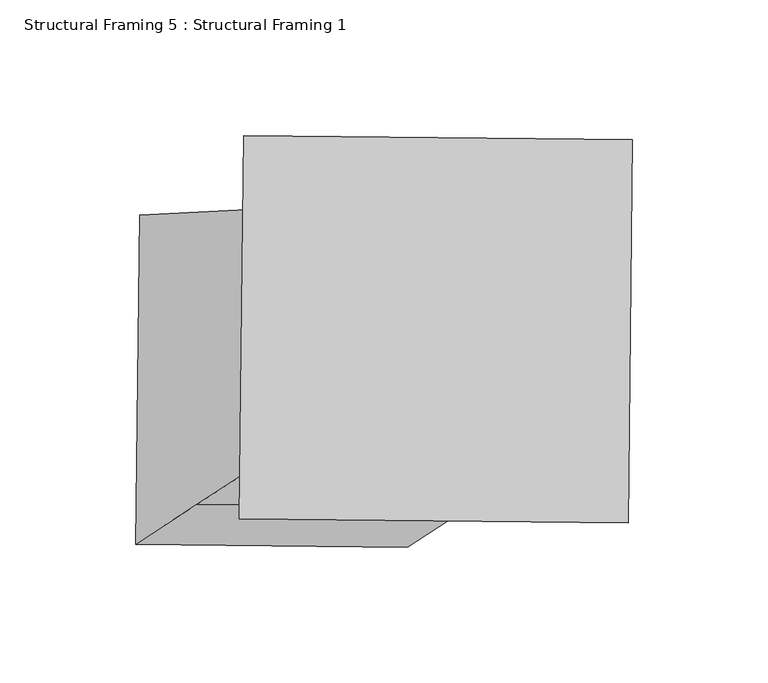
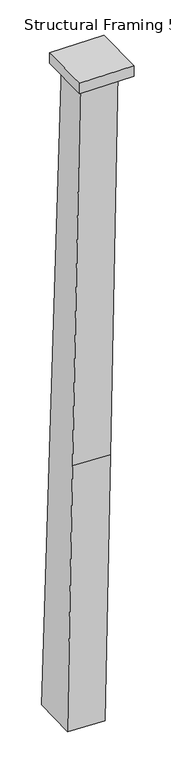
"""IFC4 building model written with IfcOpenShell, lengths in millimetres: beam geometry, Structural Framing 5 : Structural Framing 1."""

import ifcopenshell
import ifcopenshell.guid

model = None  # the IFC model being written
_history = None  # IfcOwnerHistory: only IFC2X3 demands one
_inside = {}  # id of a spatial element -> (the spatial element, [elements in it])
_under = {}  # id of a project, library or spatial element -> (it, [spatial elements below it])
_declared = {}  # id of a project -> (the project, [libraries it declares])
_typed = {}  # id of a type object -> (the type object, [elements of that type])
_made_of = {}  # id of a material, layer set ... -> (it, [elements and type objects made of it])


def new_model(schema):
    """Start an empty IFC model of exactly this schema.

    Asked for "IFC4X3", IfcOpenShell would pick the latest addendum, in which some entities
    have other attributes; the version numbers below select the first issue.
    IFC2X3 requires an IfcOwnerHistory on every rooted entity: one is made here for all.
    """
    global model, _history
    if schema == "IFC4X3":
        model = ifcopenshell.file(schema_version=(4, 3, 0, 0))
    else:
        model = ifcopenshell.file(schema=schema)
    _inside.clear()
    _under.clear()
    _declared.clear()
    _typed.clear()
    _made_of.clear()
    _history = None
    if model.schema == "IFC2X3":
        org = make("IfcOrganization", Name="unknown")
        user = make(
            "IfcPersonAndOrganization",
            ThePerson=make("IfcPerson", FamilyName="unknown"),
            TheOrganization=org,
        )
        app = make(
            "IfcApplication",
            ApplicationDeveloper=org,
            Version="unknown",
            ApplicationFullName="unknown",
            ApplicationIdentifier="unknown",
        )
        _history = make(
            "IfcOwnerHistory",
            OwningUser=user,
            OwningApplication=app,
            ChangeAction="ADDED",
            CreationDate=0,
        )
    return model


def make(cls, **values):
    """One entity of the class cls with the attributes given. An attribute that is None is left unset."""
    return model.create_entity(
        cls, **{name: value for name, value in values.items() if value is not None}
    )


def rooted(cls, **values):
    """An entity with a GlobalId (a new one), such as an element, a storey or a relation."""
    return make(cls, GlobalId=ifcopenshell.guid.new(), OwnerHistory=_history, **values)


def si_unit(unit_type, name, prefix=None):
    """IfcSIUnit, for example si_unit("LENGTHUNIT", "METRE", prefix="MILLI")."""
    return make("IfcSIUnit", UnitType=unit_type, Prefix=prefix, Name=name)


def assignment(units):
    """IfcUnitAssignment: the units of a project."""
    return None if units is None else make("IfcUnitAssignment", Units=units)


def point(xyz):
    """IfcCartesianPoint."""
    return None if xyz is None else make("IfcCartesianPoint", Coordinates=xyz)


def direction(xyz):
    """IfcDirection."""
    return None if xyz is None else make("IfcDirection", DirectionRatios=xyz)


def frame(location, z_axis=None, x_axis=None):
    """IfcAxis2Placement3D, a coordinate frame: its origin and axes. An axis left out is left unset."""
    return make(
        "IfcAxis2Placement3D",
        Location=point(location),
        Axis=direction(z_axis),
        RefDirection=direction(x_axis),
    )


def origin():
    """The frame at (0, 0, 0) with its axes left unset."""
    return frame((0.0, 0.0, 0.0))


def place(relative_to, where):
    """IfcLocalPlacement: puts the frame where relative to a parent placement (None: the world)."""
    return make(
        "IfcLocalPlacement", PlacementRelTo=relative_to, RelativePlacement=where
    )


def context(
    kind, dimensions, precision=None, world=None, true_north=None, identifier=None
):
    """IfcGeometricRepresentationContext, for example the 3D "Model" context."""
    return make(
        "IfcGeometricRepresentationContext",
        ContextIdentifier=identifier,
        ContextType=kind,
        CoordinateSpaceDimension=dimensions,
        Precision=precision,
        WorldCoordinateSystem=world,
        TrueNorth=true_north,
    )


def project(units=None, contexts=None):
    """IfcProject with its units and contexts."""
    return rooted(
        "IfcProject",
        Name="project",
        RepresentationContexts=contexts,
        UnitsInContext=assignment(units),
    )


def spatial(cls, under=None, at=None, **own):
    """A site, building, storey or space (cls), placed at a placement, below another one or the project."""
    s = rooted(cls, ObjectPlacement=at, **own)
    if under is not None:
        _under.setdefault(under.id(), (under, []))[1].append(s)
    return s


def polyline(points):
    """IfcPolyline through the points."""
    return make("IfcPolyline", Points=[point(p) for p in points])


def outline(outer, holes=None, kind="AREA"):
    """IfcArbitraryClosedProfileDef: a profile drawn as a closed curve; with holes, ...WithVoids."""
    if holes is None:
        return make("IfcArbitraryClosedProfileDef", ProfileType=kind, OuterCurve=outer)
    return make(
        "IfcArbitraryProfileDefWithVoids",
        ProfileType=kind,
        OuterCurve=outer,
        InnerCurves=holes,
    )


def extrude(swept, where, along, depth):
    """IfcExtrudedAreaSolid: the profile swept, set in the frame where, extruded along a direction by depth."""
    return make(
        "IfcExtrudedAreaSolid",
        SweptArea=swept,
        Position=where,
        ExtrudedDirection=direction(along),
        Depth=depth,
    )


def shape(context_of_items, identifier, shape_type, items):
    """IfcShapeRepresentation: the items that make up one representation, for example the "Body"."""
    return make(
        "IfcShapeRepresentation",
        ContextOfItems=context_of_items,
        RepresentationIdentifier=identifier,
        RepresentationType=shape_type,
        Items=items,
    )


def source(mapping_origin, context_of_items, identifier, shape_type, items):
    """IfcRepresentationMap: a shape defined once, which mapped items show again and again."""
    return make(
        "IfcRepresentationMap",
        MappingOrigin=mapping_origin,
        MappedRepresentation=shape(context_of_items, identifier, shape_type, items),
    )


def transform(
    local_origin,
    x_axis=None,
    y_axis=None,
    z_axis=None,
    scale=None,
    scale2=None,
    scale3=None,
    uniform=True,
):
    """IfcCartesianTransformationOperator3D, or its non-uniform kind. x_axis, y_axis, z_axis: its Axis1, 2, 3."""
    if uniform:
        return make(
            "IfcCartesianTransformationOperator3D",
            Axis1=direction(x_axis),
            Axis2=direction(y_axis),
            LocalOrigin=point(local_origin),
            Scale=scale,
            Axis3=direction(z_axis),
        )
    return make(
        "IfcCartesianTransformationOperator3DnonUniform",
        Axis1=direction(x_axis),
        Axis2=direction(y_axis),
        LocalOrigin=point(local_origin),
        Scale=scale,
        Axis3=direction(z_axis),
        Scale2=scale2,
        Scale3=scale3,
    )


def mapped(mapping_source, mapping_target):
    """IfcMappedItem: shows the shape of a source again, moved by a transform."""
    return make(
        "IfcMappedItem", MappingSource=mapping_source, MappingTarget=mapping_target
    )


def made_of(thing, what):
    """Note that an element or type object is made of a material, layer set ...; save() writes the relation."""
    if what is not None:
        _made_of.setdefault(what.id(), (what, []))[1].append(thing)
    return thing


def element(
    cls,
    number,
    at=None,
    inside=None,
    cuts=None,
    type_object=None,
    material=None,
    context=None,
    identifier="Body",
    shape_type=None,
    held_by="IfcProductDefinitionShape",
    body=None,
    shapes=None,
    **own,
):
    """One element of the class cls, such as IfcWall. Its Tag is "e" and its number.

    at: its placement. inside: the storey or other place that contains it. cuts: it is an
    opening in that element (IfcRelVoidsElement). A single representation is given by context,
    identifier, shape_type and body (its items); several are given by shapes. held_by: the class
    of the entity that holds the representations. save() writes the other relations.
    """
    e = rooted(cls, Tag="e%d" % number, ObjectPlacement=at, **own)
    if body is not None:
        shapes = [shape(context, identifier, shape_type, body)]
    if shapes is not None:
        e.Representation = make(held_by, Representations=shapes)
    if inside is not None:
        _inside.setdefault(inside.id(), (inside, []))[1].append(e)
    if cuts is not None:
        rooted(
            "IfcRelVoidsElement", RelatingBuildingElement=cuts, RelatedOpeningElement=e
        )
    if type_object is not None:
        _typed.setdefault(type_object.id(), (type_object, []))[1].append(e)
    return made_of(e, material)


def aggregate(whole, parts):
    """IfcRelAggregates: a whole, such as a stair, and the parts it consists of."""
    return rooted("IfcRelAggregates", RelatingObject=whole, RelatedObjects=parts)


def save(model, path):
    """Write the relations noted so far, then the file.

    IfcRelAggregates (storeys below a building ...), IfcRelContainedInSpatialStructure (elements
    in a storey), IfcRelDefinesByType, IfcRelAssociatesMaterial and IfcRelDeclares: one each for
    every whole, place, type object, material and project.
    """
    for whole, parts in _under.values():
        aggregate(whole, parts)
    for where, things in _inside.values():
        rooted(
            "IfcRelContainedInSpatialStructure",
            RelatedElements=things,
            RelatingStructure=where,
        )
    for kind, things in _typed.values():
        rooted("IfcRelDefinesByType", RelatedObjects=things, RelatingType=kind)
    for what, things in _made_of.values():
        rooted("IfcRelAssociatesMaterial", RelatedObjects=things, RelatingMaterial=what)
    for by, libraries in _declared.values():
        rooted("IfcRelDeclares", RelatingContext=by, RelatedDefinitions=libraries)
    model.write(path)


def structural_framing_5_structural_framing_1_26f21e37(model_context):
    return source(origin(), model_context, "Body", "SweptSolid", [
        extrude(outline(polyline([(-40922.3056094, 36490.4934257), (-40920.7301249, 36632.0082759), (-40777.2504374, 36630.4109169), (-40778.8259219, 36488.8960666), (-40922.3056094, 36490.4934257)])), frame((0.0, 0.0, 110570.9349371), z_axis=(0.0, 0.0, 1.0), x_axis=(1.0, 0.0, 0.0)), (0.0, 0.0, 1.0), 29.6874424),
        extrude(outline(polyline([(-83.0140406, 1e-07), (-78.741924, -88.483816), (-1129.6387199, -107.8973593), (-1863.3852498, -121.4520871), (-1860.8389022, 1e-07), (-83.0140406, 1e-07)])), frame((-40801.6942252, 36604.238975, 110650.9892625), z_axis=(-0.9994613507338478, 0.011745598513300736, 0.030643911382802518), x_axis=(0.030661972871582885, 0.001360700899940127, 0.9995288849816614)), (0.0, 0.0, 1.0), 100.3675956),
    ])


if __name__ == "__main__":
    model = new_model("IFC4")
    model_context = context("Model", 3, world=origin())
    ifc_project = project(units=[si_unit("LENGTHUNIT", "METRE", prefix="MILLI")], contexts=[model_context])
    site = spatial("IfcSite", under=ifc_project)
    building = spatial("IfcBuilding", under=site)
    placement = place(None, origin())
    structural_framing_5_structural_framing_1_shape = structural_framing_5_structural_framing_1_26f21e37(model_context)
    element("IfcBeam", 1, ObjectType="Structural Framing 5 : Structural Framing 1", at=placement, inside=building, context=model_context, shape_type="MappedRepresentation", body=[
        mapped(structural_framing_5_structural_framing_1_shape, transform((0.0, 0.0, 0.0), x_axis=(1.0, 0.0, 0.0), y_axis=(0.0, 1.0, 0.0), z_axis=(0.0, 0.0, 1.0))),
    ])
    save(model, "model.ifc")
